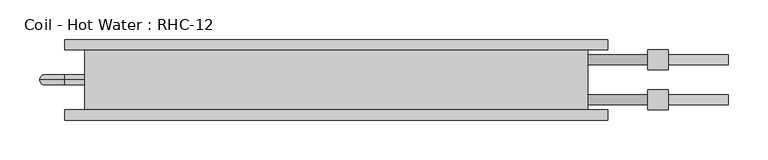
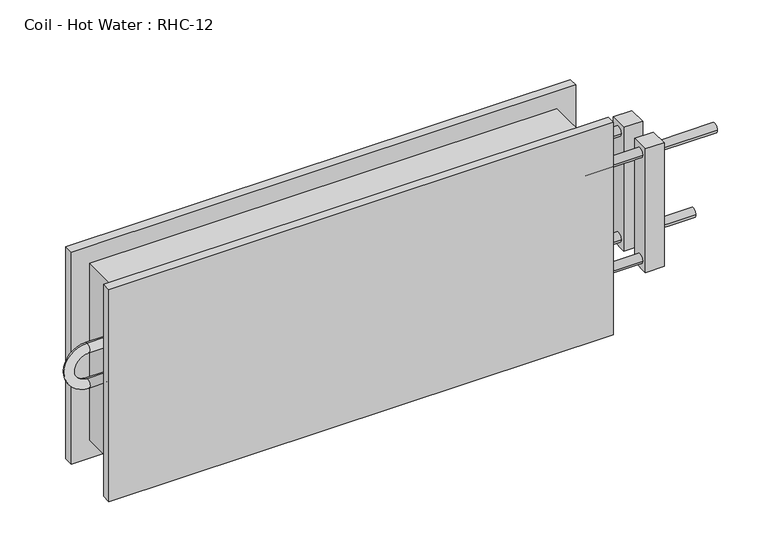
"""IFC4 building model written with IfcOpenShell, lengths in millimetres: proxy geometry, Coil - Hot Water : RHC-12."""

from ifc_helpers import new_model, si_unit, point, frame, origin, place, context, project, spatial, circle_curve, ellipse_curve, trimmed, source, transform, mapped, element, save
from ifc_brep_helpers import plane_surface, cylinder_surface, revolved_surface, advanced_brep


def coil_hot_water_rhc_12_109736f3(model_context):
    return source(origin(), model_context, "Body", "AdvancedBrep", [
        advanced_brep(
        [(-317.5, 76.2, 254.0), (-317.5, 0.0, 254.0), (317.5, 0.0, 254.0), (317.5, 76.2, 254.0), (317.5, 76.2, 0.0), (317.5, 0.0, 0.0), (-317.5, 0.0, 0.0), (-317.5, 76.2, 0.0), (-317.5, 38.1, 171.45), (-317.5, 38.1, 158.75), (-317.5, 38.1, 120.65), (-317.5, 38.1, 107.95), (317.5, 57.15, 203.2), (317.5, 69.85, 203.2), (317.5, 6.35, 50.8), (317.5, 19.05, 50.8), (317.5, 6.35, 203.2), (317.5, 19.05, 203.2), (317.5, 57.15, 50.8), (317.5, 69.85, 50.8), (342.9, 76.2, 279.4), (-342.9, 76.2, 279.4), (-342.9, 76.2, -25.4), (342.9, 76.2, -25.4), (342.9, 88.9, 279.4), (342.9, 88.9, -25.4), (-342.9, 88.9, -25.4), (-342.9, 88.9, 279.4), (495.3, 57.15, 50.8), (495.3, 69.85, 50.8), (495.3, 6.35, 203.2), (495.3, 19.05, 203.2), (419.1, 57.15, 50.8), (419.1, 69.85, 50.8), (419.1, 6.35, 203.2), (419.1, 19.05, 203.2), (342.9, -12.7, 279.4), (-342.9, -12.7, 279.4), (-342.9, -12.7, -25.4), (342.9, -12.7, -25.4), (342.9, 0.0, 279.4), (342.9, 0.0, -25.4), (-342.9, 0.0, -25.4), (-342.9, 0.0, 279.4), (-342.9, 38.1, 171.45), (-342.9, 38.1, 158.75), (-342.9, 38.1, 107.95), (-342.9, 38.1, 120.65), (393.7, 57.15, 203.2), (393.7, 69.85, 203.2), (393.7, 6.35, 50.8), (393.7, 19.05, 50.8), (393.7, 6.35, 203.2), (393.7, 19.05, 203.2), (393.7, 57.15, 50.8), (393.7, 69.85, 50.8), (419.1, 50.8, 215.9), (419.1, 50.8, 38.1), (419.1, 76.2, 38.1), (419.1, 76.2, 215.9), (419.1, 0.0, 215.9), (419.1, 0.0, 38.1), (419.1, 25.4, 38.1), (419.1, 25.4, 215.9), (393.7, 50.8, 215.9), (393.7, 76.2, 215.9), (393.7, 76.2, 38.1), (393.7, 50.8, 38.1), (393.7, 0.0, 215.9), (393.7, 25.4, 215.9), (393.7, 25.4, 38.1), (393.7, 0.0, 38.1)],
        [
            (0, 1),
            (1, 2),
            (2, 3),
            (3, 0),
            (4, 5),
            (5, 6),
            (6, 7),
            (7, 4),
            (0, 7),
            (6, 1),
            (8, 9, circle_curve(frame((-317.5, 38.1, 165.1), z_axis=(1.0, 0.0, 0.0), x_axis=(0.0, 0.0, -1.0)), 6.35)),
            (9, 8, circle_curve(frame((-317.5, 38.1, 165.1), z_axis=(1.0, 0.0, 0.0), x_axis=(0.0, 0.0, -1.0)), 6.35)),
            (10, 11, circle_curve(frame((-317.5, 38.1, 114.3), z_axis=(1.0, 0.0, 0.0), x_axis=(0.0, 0.0, 1.0)), 6.35)),
            (11, 10, circle_curve(frame((-317.5, 38.1, 114.3), z_axis=(1.0, 0.0, 0.0), x_axis=(0.0, 0.0, 1.0)), 6.35)),
            (2, 5),
            (4, 3),
            (12, 13, circle_curve(frame((317.5, 63.5, 203.2), z_axis=(-1.0, 0.0, 0.0), x_axis=(0.0, 1.0, 0.0)), 6.35)),
            (13, 12, circle_curve(frame((317.5, 63.5, 203.2), z_axis=(-1.0, 0.0, 0.0), x_axis=(0.0, 1.0, 0.0)), 6.35)),
            (14, 15, circle_curve(frame((317.5, 12.7, 50.8), z_axis=(-1.0, 0.0, 0.0), x_axis=(0.0, 1.0, 0.0)), 6.35)),
            (15, 14, circle_curve(frame((317.5, 12.7, 50.8), z_axis=(-1.0, 0.0, 0.0), x_axis=(0.0, 1.0, 0.0)), 6.35)),
            (16, 17, circle_curve(frame((317.5, 12.7, 203.2), z_axis=(-1.0, 0.0, 0.0), x_axis=(0.0, 1.0, 0.0)), 6.35)),
            (17, 16, circle_curve(frame((317.5, 12.7, 203.2), z_axis=(-1.0, 0.0, 0.0), x_axis=(0.0, 1.0, 0.0)), 6.35)),
            (18, 19, circle_curve(frame((317.5, 63.5, 50.8), z_axis=(-1.0, 0.0, 0.0), x_axis=(0.0, 1.0, 0.0)), 6.35)),
            (19, 18, circle_curve(frame((317.5, 63.5, 50.8), z_axis=(-1.0, 0.0, 0.0), x_axis=(0.0, 1.0, 0.0)), 6.35)),
            (20, 21),
            (21, 22),
            (22, 23),
            (23, 20),
            (24, 25),
            (25, 26),
            (26, 27),
            (27, 24),
            (20, 24),
            (27, 21),
            (26, 22),
            (25, 23),
            (28, 29, circle_curve(frame((495.3, 63.5, 50.8), z_axis=(1.0, 0.0, 0.0), x_axis=(0.0, 1.0, 0.0)), 6.35)),
            (29, 28, circle_curve(frame((495.3, 63.5, 50.8), z_axis=(1.0, 0.0, 0.0), x_axis=(0.0, 1.0, 0.0)), 6.35)),
            (30, 31, circle_curve(frame((495.3, 12.7, 203.2), z_axis=(1.0, 0.0, 0.0), x_axis=(0.0, 1.0, 0.0)), 6.35)),
            (31, 30, circle_curve(frame((495.3, 12.7, 203.2), z_axis=(1.0, 0.0, 0.0), x_axis=(0.0, 1.0, 0.0)), 6.35)),
            (28, 32),
            (32, 33, circle_curve(frame((419.1, 63.5, 50.8), z_axis=(1.0, 0.0, 0.0), x_axis=(0.0, 1.0, 0.0)), 6.35)),
            (33, 29),
            (33, 32, circle_curve(frame((419.1, 63.5, 50.8), z_axis=(1.0, 0.0, 0.0), x_axis=(0.0, 1.0, 0.0)), 6.35)),
            (30, 34),
            (34, 35, circle_curve(frame((419.1, 12.7, 203.2), z_axis=(1.0, 0.0, 0.0), x_axis=(0.0, 1.0, 0.0)), 6.35)),
            (35, 31),
            (35, 34, circle_curve(frame((419.1, 12.7, 203.2), z_axis=(1.0, 0.0, 0.0), x_axis=(0.0, 1.0, 0.0)), 6.35)),
            (36, 37),
            (37, 38),
            (38, 39),
            (39, 36),
            (40, 41),
            (41, 42),
            (42, 43),
            (43, 40),
            (36, 40),
            (43, 37),
            (42, 38),
            (41, 39),
            (8, 44),
            (44, 45, circle_curve(frame((-342.9, 38.1, 165.1), z_axis=(1.0, 0.0, 0.0), x_axis=(0.0, 0.0, -1.0)), 6.35)),
            (45, 9),
            (45, 44, circle_curve(frame((-342.9, 38.1, 165.1), z_axis=(1.0, 0.0, 0.0), x_axis=(0.0, 0.0, -1.0)), 6.35)),
            (44, 46, circle_curve(frame((-342.9, 38.1, 139.7), z_axis=(0.0, -1.0, 0.0), x_axis=(0.0, 0.0, 1.0)), 31.75)),
            (46, 47, circle_curve(frame((-342.9, 38.1, 114.3), z_axis=(-1.0, 0.0, 0.0), x_axis=(0.0, 0.0, 1.0)), 6.35)),
            (47, 45, circle_curve(frame((-342.9, 38.1, 139.7), z_axis=(0.0, 1.0, 0.0), x_axis=(0.0, 0.0, 1.0)), 19.05)),
            (47, 46, circle_curve(frame((-342.9, 38.1, 114.3), z_axis=(-1.0, 0.0, 0.0), x_axis=(0.0, 0.0, 1.0)), 6.35)),
            (46, 11),
            (10, 47),
            (12, 48),
            (48, 49, circle_curve(frame((393.7, 63.5, 203.2), z_axis=(-1.0, 0.0, 0.0), x_axis=(0.0, 1.0, 0.0)), 6.35)),
            (49, 13),
            (49, 48, circle_curve(frame((393.7, 63.5, 203.2), z_axis=(-1.0, 0.0, 0.0), x_axis=(0.0, 1.0, 0.0)), 6.35)),
            (14, 50),
            (50, 51, circle_curve(frame((393.7, 12.7, 50.8), z_axis=(-1.0, 0.0, 0.0), x_axis=(0.0, 1.0, 0.0)), 6.35)),
            (51, 15),
            (51, 50, circle_curve(frame((393.7, 12.7, 50.8), z_axis=(-1.0, 0.0, 0.0), x_axis=(0.0, 1.0, 0.0)), 6.35)),
            (16, 52),
            (52, 53, circle_curve(frame((393.7, 12.7, 203.2), z_axis=(-1.0, 0.0, 0.0), x_axis=(0.0, 1.0, 0.0)), 6.35)),
            (53, 17),
            (53, 52, circle_curve(frame((393.7, 12.7, 203.2), z_axis=(-1.0, 0.0, 0.0), x_axis=(0.0, 1.0, 0.0)), 6.35)),
            (18, 54),
            (54, 55, circle_curve(frame((393.7, 63.5, 50.8), z_axis=(-1.0, 0.0, 0.0), x_axis=(0.0, 1.0, 0.0)), 6.35)),
            (55, 19),
            (55, 54, circle_curve(frame((393.7, 63.5, 50.8), z_axis=(-1.0, 0.0, 0.0), x_axis=(0.0, 1.0, 0.0)), 6.35)),
            (56, 57),
            (57, 58),
            (58, 59),
            (59, 56),
            (60, 61),
            (61, 62),
            (62, 63),
            (63, 60),
            (64, 65),
            (65, 66),
            (66, 67),
            (67, 64),
            (68, 69),
            (69, 70),
            (70, 71),
            (71, 68),
            (56, 64),
            (67, 57),
            (66, 58),
            (65, 59),
            (60, 68),
            (71, 61),
            (70, 62),
            (69, 63),
        ],
        [
            plane_surface(frame((-317.5, 76.2, 254.0), z_axis=(0.0, 0.0, 1.0), x_axis=(-1.0, 0.0, 0.0))),
            plane_surface(frame((-317.5, 76.2, 0.0), z_axis=(0.0, 0.0, -1.0), x_axis=(1.0, 0.0, 0.0))),
            plane_surface(frame((-317.5, 76.2, 254.0), z_axis=(-1.0, 0.0, 0.0), x_axis=(0.0, 0.0, -1.0))),
            plane_surface(frame((317.5, 0.0, 254.0), z_axis=(1.0, 0.0, 0.0), x_axis=(0.0, 0.0, -1.0))),
            plane_surface(frame((-342.9, 76.2, 279.4), z_axis=(0.0, -1.0, 0.0), x_axis=(-1.0, 0.0, 0.0))),
            plane_surface(frame((-342.9, 88.9, 279.4), z_axis=(0.0, 1.0, 0.0), x_axis=(1.0, 0.0, 0.0))),
            plane_surface(frame((342.9, 76.2, 279.4), z_axis=(0.0, 0.0, 1.0), x_axis=(0.0, 1.0, 0.0))),
            plane_surface(frame((-342.9, 76.2, 279.4), z_axis=(-1.0, 0.0, 0.0), x_axis=(0.0, 1.0, 0.0))),
            plane_surface(frame((-342.9, 76.2, -25.4), z_axis=(0.0, 0.0, -1.0), x_axis=(0.0, 1.0, 0.0))),
            plane_surface(frame((342.9, 76.2, -25.4), z_axis=(1.0, 0.0, 0.0), x_axis=(0.0, 1.0, 0.0))),
            plane_surface(frame((495.3, 69.85, 50.8), z_axis=(1.0, 0.0, 0.0), x_axis=(0.0, 0.0, 1.0))),
            cylinder_surface(frame((419.1, 63.5, 50.8), z_axis=(1.0, 0.0, 0.0), x_axis=(0.0, 1.0, 0.0)), 6.35),
            cylinder_surface(frame((0.0, 12.7, 203.2), z_axis=(1.0, 0.0, 0.0), x_axis=(0.0, 1.0, 0.0)), 6.35),
            plane_surface(frame((-342.9, -12.7, 279.4), z_axis=(0.0, -1.0, 0.0), x_axis=(-1.0, 0.0, 0.0))),
            plane_surface(frame((-342.9, 0.0, 279.4), z_axis=(0.0, 1.0, 0.0), x_axis=(1.0, 0.0, 0.0))),
            plane_surface(frame((342.9, -12.7, 279.4), z_axis=(0.0, 0.0, 1.0), x_axis=(0.0, 1.0, 0.0))),
            plane_surface(frame((-342.9, -12.7, 279.4), z_axis=(-1.0, 0.0, 0.0), x_axis=(0.0, 1.0, 0.0))),
            plane_surface(frame((-342.9, -12.7, -25.4), z_axis=(0.0, 0.0, -1.0), x_axis=(0.0, 1.0, 0.0))),
            plane_surface(frame((342.9, -12.7, -25.4), z_axis=(1.0, 0.0, 0.0), x_axis=(0.0, 1.0, 0.0))),
            cylinder_surface(frame((-317.5, 38.1, 165.1), z_axis=(1.0, 0.0, 0.0), x_axis=(0.0, 0.0, -1.0)), 6.35),
            revolved_surface(trimmed(ellipse_curve(frame((-342.9, 38.1, 165.1), z_axis=(1.0, 0.0, 0.0), x_axis=(0.0, 0.0, -1.0)), 6.35, 6.35), [point((-342.9, 38.1, 171.45))], [point((-342.9, 38.1, 158.75))], True, "CARTESIAN"), (-342.9, 0.0, 139.7), (0.0, -1.0, 0.0)),
            revolved_surface(trimmed(ellipse_curve(frame((-342.9, 38.1, 165.1), z_axis=(1.0, 0.0, 0.0), x_axis=(0.0, 0.0, -1.0)), 6.35, 6.35), [point((-342.9, 38.1, 158.75))], [point((-342.9, 38.1, 171.45))], True, "CARTESIAN"), (-342.9, 0.0, 139.7), (0.0, -1.0, 0.0)),
            cylinder_surface(frame((-342.9, 38.1, 114.3), z_axis=(-1.0, 0.0, 0.0), x_axis=(0.0, 0.0, 1.0)), 6.35),
            cylinder_surface(frame((317.5, 63.5, 203.2), z_axis=(-1.0, 0.0, 0.0), x_axis=(0.0, 1.0, 0.0)), 6.35),
            cylinder_surface(frame((317.5, 12.7, 50.8), z_axis=(-1.0, 0.0, 0.0), x_axis=(0.0, 1.0, 0.0)), 6.35),
            cylinder_surface(frame((317.5, 12.7, 203.2), z_axis=(-1.0, 0.0, 0.0), x_axis=(0.0, 1.0, 0.0)), 6.35),
            cylinder_surface(frame((317.5, 63.5, 50.8), z_axis=(-1.0, 0.0, 0.0), x_axis=(0.0, 1.0, 0.0)), 6.35),
            plane_surface(frame((419.1, 50.8, 215.9), z_axis=(1.0, 0.0, 0.0), x_axis=(0.0, 0.0, -1.0))),
            plane_surface(frame((393.7, 50.8, 215.9), z_axis=(-1.0, 0.0, 0.0), x_axis=(0.0, 0.0, 1.0))),
            plane_surface(frame((419.1, 50.8, 215.9), z_axis=(0.0, -1.0, 0.0), x_axis=(-1.0, 0.0, 0.0))),
            plane_surface(frame((419.1, 50.8, 38.1), z_axis=(0.0, 0.0, -1.0), x_axis=(-1.0, 0.0, 0.0))),
            plane_surface(frame((419.1, 76.2, 38.1), z_axis=(0.0, 1.0, 0.0), x_axis=(-1.0, 0.0, 0.0))),
            plane_surface(frame((419.1, 76.2, 215.9), z_axis=(0.0, 0.0, 1.0), x_axis=(-1.0, 0.0, 0.0))),
            plane_surface(frame((419.1, 0.0, 215.9), z_axis=(0.0, -1.0, 0.0), x_axis=(-1.0, 0.0, 0.0))),
            plane_surface(frame((419.1, 0.0, 38.1), z_axis=(0.0, 0.0, -1.0), x_axis=(-1.0, 0.0, 0.0))),
            plane_surface(frame((419.1, 25.4, 38.1), z_axis=(0.0, 1.0, 0.0), x_axis=(-1.0, 0.0, 0.0))),
            plane_surface(frame((419.1, 25.4, 215.9), z_axis=(0.0, 0.0, 1.0), x_axis=(-1.0, 0.0, 0.0))),
        ],
        [
            (0, [[1, 2, 3, 4]]),
            (1, [[5, 6, 7, 8]]),
            (2, [[-1, 9, -7, 10], [11, 12], [13, 14]]),
            (3, [[-3, 15, -5, 16], [17, 18], [19, 20], [21, 22], [23, 24]]),
            (4, [[25, 26, 27, 28], [-4, -16, -8, -9]]),
            (5, [[29, 30, 31, 32]]),
            (6, [[-25, 33, -32, 34]]),
            (7, [[-26, -34, -31, 35]]),
            (8, [[-27, -35, -30, 36]]),
            (9, [[-28, -36, -29, -33]]),
            (10, [[37, 38]]),
            (10, [[39, 40]]),
            (11, [[-37, 41, 42, 43]]),
            (11, [[-38, -43, 44, -41]]),
            (12, [[-39, 45, 46, 47]]),
            (12, [[-40, -47, 48, -45]]),
            (13, [[49, 50, 51, 52]]),
            (14, [[53, 54, 55, 56], [-2, -10, -6, -15]]),
            (15, [[-49, 57, -56, 58]]),
            (16, [[-50, -58, -55, 59]]),
            (17, [[-51, -59, -54, 60]]),
            (18, [[-52, -60, -53, -57]]),
            (19, [[61, 62, 63, -11]]),
            (19, [[-61, -12, -63, 64]]),
            (20, [[-62, 65, 66, 67]]),
            (21, [[-64, -67, 68, -65]]),
            (22, [[-66, 69, -13, 70]]),
            (22, [[-68, -70, -14, -69]]),
            (23, [[71, 72, 73, -17]]),
            (23, [[-71, -18, -73, 74]]),
            (24, [[75, 76, 77, -19]]),
            (24, [[-75, -20, -77, 78]]),
            (25, [[79, 80, 81, -21]]),
            (25, [[-79, -22, -81, 82]]),
            (26, [[83, 84, 85, -23]]),
            (26, [[-83, -24, -85, 86]]),
            (27, [[87, 88, 89, 90], [-42, -44]]),
            (27, [[91, 92, 93, 94], [-46, -48]]),
            (28, [[95, 96, 97, 98], [-72, -74], [-84, -86]]),
            (28, [[99, 100, 101, 102], [-76, -78], [-80, -82]]),
            (29, [[-87, 103, -98, 104]]),
            (30, [[-88, -104, -97, 105]]),
            (31, [[-89, -105, -96, 106]]),
            (32, [[-90, -106, -95, -103]]),
            (33, [[-91, 107, -102, 108]]),
            (34, [[-92, -108, -101, 109]]),
            (35, [[-93, -109, -100, 110]]),
            (36, [[-94, -110, -99, -107]]),
        ],
    ),
    ])


if __name__ == "__main__":
    model = new_model("IFC4")
    model_context = context("Model", 3, world=origin())
    ifc_project = project(units=[si_unit("LENGTHUNIT", "METRE", prefix="MILLI")], contexts=[model_context])
    site = spatial("IfcSite", under=ifc_project)
    building = spatial("IfcBuilding", under=site)
    placement = place(None, origin())
    coil_hot_water_rhc_12_shape = coil_hot_water_rhc_12_109736f3(model_context)
    element("IfcBuildingElementProxy", 1, Name="Coil - Hot Water : RHC-12", ObjectType="Coil - Hot Water : RHC-12", at=placement, inside=building, context=model_context, shape_type="MappedRepresentation", body=[
        mapped(coil_hot_water_rhc_12_shape, transform((0.0, 0.0, 0.0), x_axis=(1.0, 0.0, 0.0), y_axis=(0.0, 1.0, 0.0), z_axis=(0.0, 0.0, 1.0))),
    ])
    save(model, "model.ifc")
